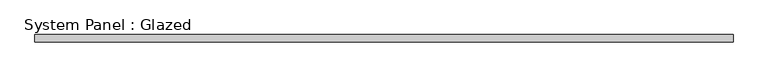
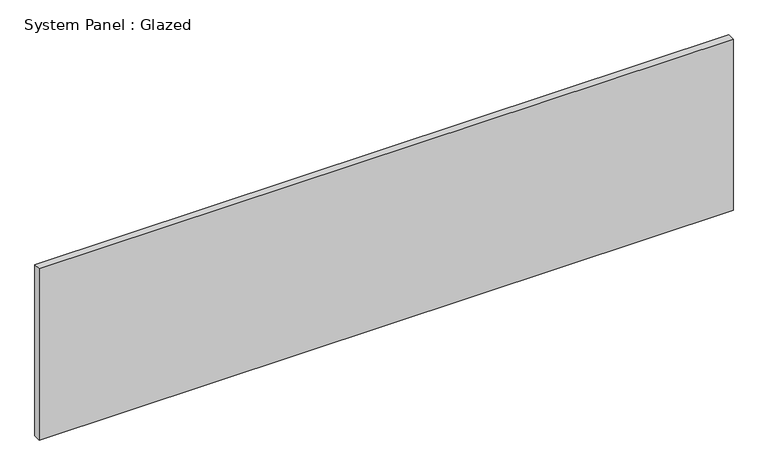
"""IFC4 building model written with IfcOpenShell, lengths in millimetres: plate geometry, System Panel : Glazed."""

from ifc_helpers import new_model, si_unit, origin, origin_with_axes, place, context, project, spatial, polyline, outline, extrude, source, transform, mapped, element, save


def system_panel_glazed_b916fb24(model_context):
    return source(origin(), model_context, "Body", "SweptSolid", [
        extrude(outline(polyline([(1175.0, 24.5), (-1175.0, 24.5), (-1175.0, 49.5), (1175.0, 49.5), (1175.0, 24.5)])), origin_with_axes(), (0.0, 0.0, 1.0), 612.4666667),
    ])


if __name__ == "__main__":
    model = new_model("IFC4")
    model_context = context("Model", 3, world=origin())
    ifc_project = project(units=[si_unit("LENGTHUNIT", "METRE", prefix="MILLI")], contexts=[model_context])
    site = spatial("IfcSite", under=ifc_project)
    building = spatial("IfcBuilding", under=site)
    placement = place(None, origin())
    system_panel_glazed_shape = system_panel_glazed_b916fb24(model_context)
    element("IfcPlate", 1, ObjectType="System Panel : Glazed", at=placement, inside=building, context=model_context, shape_type="MappedRepresentation", body=[
        mapped(system_panel_glazed_shape, transform((0.0, 0.0, 0.0), x_axis=(1.0, 0.0, 0.0), y_axis=(0.0, 1.0, 0.0), z_axis=(0.0, 0.0, 1.0))),
    ])
    save(model, "model.ifc")
